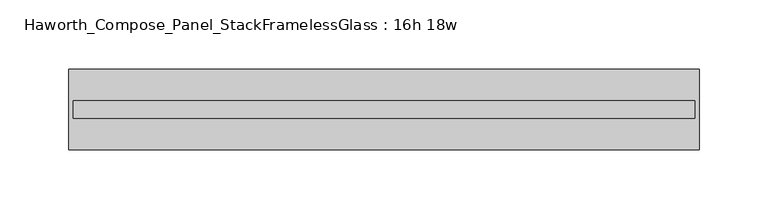
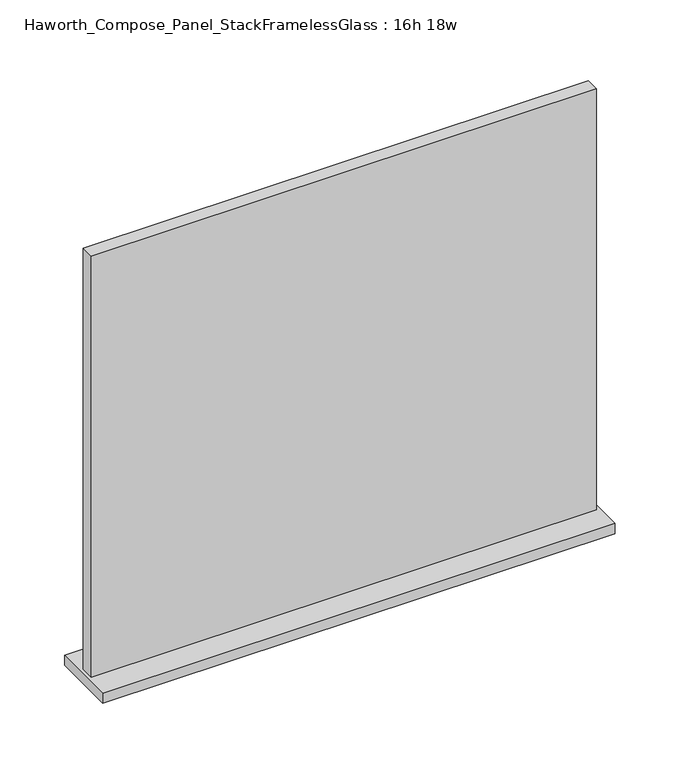
"""IFC4 building model written with IfcOpenShell, lengths in millimetres: furniture geometry, Haworth_Compose_Panel_StackFramelessGlass : 16h 18w."""

from ifc_helpers import new_model, si_unit, frame, origin, place, context, project, spatial, polyline, outline, extrude, source, transform, mapped, element, save


def haworth_compose_panel_stackframelessglass_16h_18w_92994bb8(model_context):
    return source(origin(), model_context, "Body", "SweptSolid", [
        extrude(outline(polyline([(227.8652902, -27.3093594), (-222.9847098, -27.3093594), (-222.9847098, -14.6093594), (227.8652902, -14.6093594), (227.8652902, -27.3093594)])), frame((0.0, 0.0, 1279.525), z_axis=(0.0, 0.0, 1.0), x_axis=(1.0, 0.0, 0.0)), (0.0, 0.0, 1.0), 396.875),
        extrude(outline(polyline([(-226.1597098, -50.3281094), (-226.1597098, 8.4093906), (231.0402902, 8.4093906), (231.0402902, -50.3281094), (-226.1597098, -50.3281094)])), frame((0.0, 0.0, 1270.0), z_axis=(0.0, 0.0, 1.0), x_axis=(1.0, 0.0, 0.0)), (0.0, 0.0, 1.0), 9.525),
    ])


if __name__ == "__main__":
    model = new_model("IFC4")
    model_context = context("Model", 3, world=origin())
    ifc_project = project(units=[si_unit("LENGTHUNIT", "METRE", prefix="MILLI")], contexts=[model_context])
    site = spatial("IfcSite", under=ifc_project)
    building = spatial("IfcBuilding", under=site)
    placement = place(None, origin())
    haworth_compose_panel_stackframelessglass_16h_18w_shape = haworth_compose_panel_stackframelessglass_16h_18w_92994bb8(model_context)
    element("IfcFurniture", 1, ObjectType="Haworth_Compose_Panel_StackFramelessGlass : 16h 18w", at=placement, inside=building, context=model_context, shape_type="MappedRepresentation", body=[
        mapped(haworth_compose_panel_stackframelessglass_16h_18w_shape, transform((0.0, 0.0, 0.0), x_axis=(1.0, 0.0, 0.0), y_axis=(0.0, 1.0, 0.0), z_axis=(0.0, 0.0, 1.0))),
    ])
    save(model, "model.ifc")
